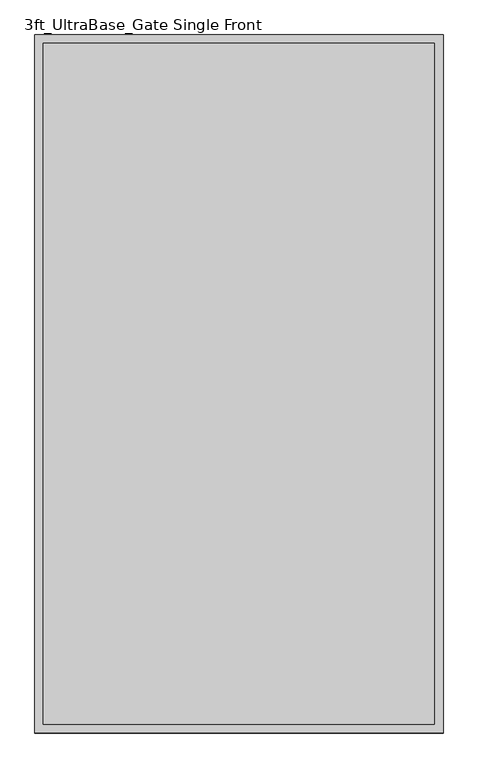
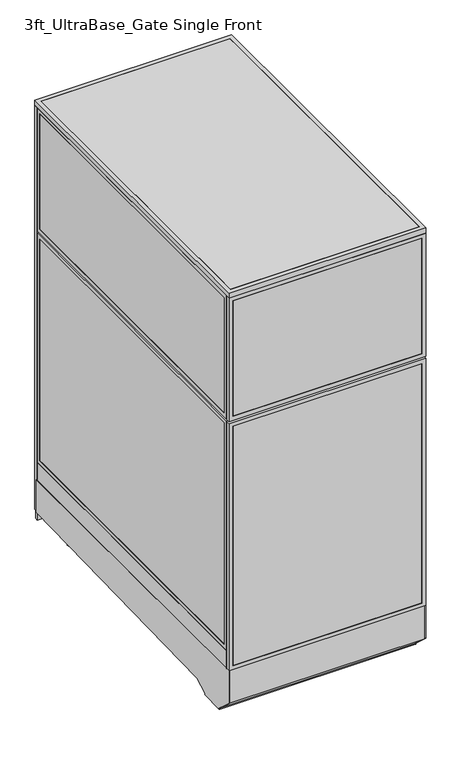
"""IFC4 building model written with IfcOpenShell, lengths in millimetres: proxy geometry, 3ft_UltraBase_Gate Single Front."""

from ifc_helpers import new_model, si_unit, point, frame, frame_2d, origin, origin_with_axes, place, context, project, spatial, polyline, circle_curve, trimmed, segment, composite_curve, outline, extrude, source, transform, mapped, element, save


def proxy_3ft_ultrabase_gate_single_front_0967ae14(model_context):
    return source(origin(), model_context, "Body", "SweptSolid", [
        extrude(outline(composite_curve([segment(trimmed(circle_curve(frame_2d((121.1505315, 350.6380208)), 38.1), [point((83.0505315, 350.6380208))], [point((159.2505315, 350.6380208))], False, "CARTESIAN"), True, "CONTINUOUS"), segment(trimmed(circle_curve(frame_2d((121.1505315, 350.6380208)), 38.1), [point((159.2505315, 350.6380208))], [point((83.0505315, 350.6380208))], False, "CARTESIAN"), True, "CONTINUOUS")], self_intersect=False)), frame((0.0, 0.0, 103.9931848), z_axis=(0.0, 0.0, 1.0), x_axis=(1.0, 0.0, 0.0)), (0.0, 0.0, 1.0), 12.9784433),
        extrude(outline(composite_curve([segment(trimmed(circle_curve(frame_2d((121.1505315, 350.6380208)), 12.7), [point((108.4505315, 350.6380208))], [point((133.8505315, 350.6380208))], False, "CARTESIAN"), True, "CONTINUOUS"), segment(trimmed(circle_curve(frame_2d((121.1505315, 350.6380208)), 12.7), [point((133.8505315, 350.6380208))], [point((108.4505315, 350.6380208))], False, "CARTESIAN"), True, "CONTINUOUS")], self_intersect=False)), frame((0.0, 0.0, 6.35), z_axis=(0.0, 0.0, 1.0), x_axis=(1.0, 0.0, 0.0)), (0.0, 0.0, 1.0), 97.6431848),
        extrude(outline(composite_curve([segment(trimmed(circle_curve(frame_2d((121.1505315, 350.6380208)), 25.4), [point((95.7505315, 350.6380208))], [point((146.5505315, 350.6380208))], False, "CARTESIAN"), True, "CONTINUOUS"), segment(trimmed(circle_curve(frame_2d((121.1505315, 350.6380208)), 25.4), [point((146.5505315, 350.6380208))], [point((95.7505315, 350.6380208))], False, "CARTESIAN"), True, "CONTINUOUS")], self_intersect=False)), origin_with_axes(), (0.0, 0.0, 1.0), 6.35),
        extrude(outline(composite_curve([segment(trimmed(circle_curve(frame_2d((806.9505315, 350.6380208)), 38.1), [point((768.8505315, 350.6380208))], [point((845.0505315, 350.6380208))], False, "CARTESIAN"), True, "CONTINUOUS"), segment(trimmed(circle_curve(frame_2d((806.9505315, 350.6380208)), 38.1), [point((845.0505315, 350.6380208))], [point((768.8505315, 350.6380208))], False, "CARTESIAN"), True, "CONTINUOUS")], self_intersect=False)), frame((0.0, 0.0, 103.9931848), z_axis=(0.0, 0.0, 1.0), x_axis=(1.0, 0.0, 0.0)), (0.0, 0.0, 1.0), 12.9784433),
        extrude(outline(composite_curve([segment(trimmed(circle_curve(frame_2d((806.9505315, 350.6380208)), 12.7), [point((794.2505315, 350.6380208))], [point((819.6505315, 350.6380208))], False, "CARTESIAN"), True, "CONTINUOUS"), segment(trimmed(circle_curve(frame_2d((806.9505315, 350.6380208)), 12.7), [point((819.6505315, 350.6380208))], [point((794.2505315, 350.6380208))], False, "CARTESIAN"), True, "CONTINUOUS")], self_intersect=False)), frame((0.0, 0.0, 6.35), z_axis=(0.0, 0.0, 1.0), x_axis=(1.0, 0.0, 0.0)), (0.0, 0.0, 1.0), 97.6431848),
        extrude(outline(composite_curve([segment(trimmed(circle_curve(frame_2d((806.9505315, 350.6380208)), 25.4), [point((781.5505315, 350.6380208))], [point((832.3505315, 350.6380208))], False, "CARTESIAN"), True, "CONTINUOUS"), segment(trimmed(circle_curve(frame_2d((806.9505315, 350.6380208)), 25.4), [point((832.3505315, 350.6380208))], [point((781.5505315, 350.6380208))], False, "CARTESIAN"), True, "CONTINUOUS")], self_intersect=False)), origin_with_axes(), (0.0, 0.0, 1.0), 6.35),
        extrude(outline(composite_curve([segment(trimmed(circle_curve(frame_2d((120.4666548, 1441.532592)), 38.1), [point((82.3666548, 1441.532592))], [point((158.5666548, 1441.532592))], False, "CARTESIAN"), True, "CONTINUOUS"), segment(trimmed(circle_curve(frame_2d((120.4666548, 1441.532592)), 38.1), [point((158.5666548, 1441.532592))], [point((82.3666548, 1441.532592))], False, "CARTESIAN"), True, "CONTINUOUS")], self_intersect=False)), frame((0.0, 0.0, 135.7431848), z_axis=(0.0, 0.0, 1.0), x_axis=(1.0, 0.0, 0.0)), (0.0, 0.0, 1.0), 12.9784433),
        extrude(outline(composite_curve([segment(trimmed(circle_curve(frame_2d((120.4666548, 1441.532592)), 12.7), [point((107.7666548, 1441.532592))], [point((133.1666548, 1441.532592))], False, "CARTESIAN"), True, "CONTINUOUS"), segment(trimmed(circle_curve(frame_2d((120.4666548, 1441.532592)), 12.7), [point((133.1666548, 1441.532592))], [point((107.7666548, 1441.532592))], False, "CARTESIAN"), True, "CONTINUOUS")], self_intersect=False)), frame((0.0, 0.0, 6.35), z_axis=(0.0, 0.0, 1.0), x_axis=(1.0, 0.0, 0.0)), (0.0, 0.0, 1.0), 129.3931848),
        extrude(outline(composite_curve([segment(trimmed(circle_curve(frame_2d((120.4666548, 1441.532592)), 25.4), [point((95.0666548, 1441.532592))], [point((145.8666548, 1441.532592))], False, "CARTESIAN"), True, "CONTINUOUS"), segment(trimmed(circle_curve(frame_2d((120.4666548, 1441.532592)), 25.4), [point((145.8666548, 1441.532592))], [point((95.0666548, 1441.532592))], False, "CARTESIAN"), True, "CONTINUOUS")], self_intersect=False)), origin_with_axes(), (0.0, 0.0, 1.0), 6.35),
        extrude(outline(composite_curve([segment(trimmed(circle_curve(frame_2d((806.2666548, 1441.532592)), 38.1), [point((768.1666548, 1441.532592))], [point((844.3666548, 1441.532592))], False, "CARTESIAN"), True, "CONTINUOUS"), segment(trimmed(circle_curve(frame_2d((806.2666548, 1441.532592)), 38.1), [point((844.3666548, 1441.532592))], [point((768.1666548, 1441.532592))], False, "CARTESIAN"), True, "CONTINUOUS")], self_intersect=False)), frame((0.0, 0.0, 135.7431848), z_axis=(0.0, 0.0, 1.0), x_axis=(1.0, 0.0, 0.0)), (0.0, 0.0, 1.0), 12.9784433),
        extrude(outline(composite_curve([segment(trimmed(circle_curve(frame_2d((806.2666548, 1441.532592)), 12.7), [point((793.5666548, 1441.532592))], [point((818.9666548, 1441.532592))], False, "CARTESIAN"), True, "CONTINUOUS"), segment(trimmed(circle_curve(frame_2d((806.2666548, 1441.532592)), 12.7), [point((818.9666548, 1441.532592))], [point((793.5666548, 1441.532592))], False, "CARTESIAN"), True, "CONTINUOUS")], self_intersect=False)), frame((0.0, 0.0, 6.35), z_axis=(0.0, 0.0, 1.0), x_axis=(1.0, 0.0, 0.0)), (0.0, 0.0, 1.0), 129.3931848),
        extrude(outline(composite_curve([segment(trimmed(circle_curve(frame_2d((806.2666548, 1441.532592)), 25.4), [point((780.8666548, 1441.532592))], [point((831.6666548, 1441.532592))], False, "CARTESIAN"), True, "CONTINUOUS"), segment(trimmed(circle_curve(frame_2d((806.2666548, 1441.532592)), 25.4), [point((831.6666548, 1441.532592))], [point((780.8666548, 1441.532592))], False, "CARTESIAN"), True, "CONTINUOUS")], self_intersect=False)), origin_with_axes(), (0.0, 0.0, 1.0), 6.35),
        extrude(outline(polyline([(-19.05, 304.8), (1530.35, 304.8), (1530.35, 144.6534225), (238.733612, 113.4956461), (175.3928625, 76.9258473), (175.3928625, 69.0977369), (59.8970382, 69.0977369), (59.8970382, 73.3553835), (-19.05, 144.439616), (-19.05, 304.8)])), frame((0.0, 0.0, 0.0), z_axis=(1.0, 0.0, 0.0), x_axis=(0.0, 1.0, 0.0)), (0.0, 0.0, 1.0), 3.175),
        extrude(outline(polyline([(-19.05, 304.8), (1530.35, 304.8), (1530.35, 144.6534225), (238.733612, 113.4956461), (175.3928625, 76.9258473), (175.3928625, 69.0977369), (59.8970382, 69.0977369), (59.8970382, 73.3553835), (-19.05, 144.439616), (-19.05, 304.8)])), frame((911.225, 0.0, 0.0), z_axis=(1.0, 0.0, 0.0), x_axis=(0.0, 1.0, 0.0)), (0.0, 0.0, 1.0), 3.175),
        extrude(outline(polyline([(1530.35, 104.78262), (1530.35, 144.7169051), (238.733612, 113.4956461), (175.3928625, 76.9258473), (175.3928625, 69.0977369), (59.8970382, 69.0977369), (59.8970382, 73.3553835), (-19.05, 144.439616), (-19.05, 304.8), (-10.9434074, 304.8), (-10.9434074, 236.4996867), (-5.6766373, 236.4996867), (-2.6025146, 148.4683295), (68.18203, 84.7336392), (68.18203, 79.4164869), (167.804636, 79.4164869), (167.804636, 86.088281), (237.0845322, 126.0870477), (1543.05, 157.7730306), (1543.05, 104.78262), (1530.35, 104.78262)])), frame((3.175, 0.0, 0.0), z_axis=(1.0, 0.0, 0.0), x_axis=(0.0, 1.0, 0.0)), (0.0, 0.0, 1.0), 908.05),
        extrude(outline(polyline([(60.3189838, 1541.4625), (854.0810162, 1541.4625), (854.0810162, 1525.5875), (60.3189838, 1525.5875), (60.3189838, 1541.4625)])), frame((0.0, 0.0, 212.725), z_axis=(0.0, 0.0, 1.0), x_axis=(1.0, 0.0, 0.0)), (0.0, 0.0, 1.0), 1860.55),
        extrude(outline(polyline([(193.675, 41.2689838), (193.675, 873.1310162), (2092.325, 873.1310162), (2092.325, 41.2689838), (193.675, 41.2689838)]), holes=[polyline([(2073.275, 854.0810162), (212.725, 854.0810162), (212.725, 60.3189838), (2073.275, 60.3189838), (2073.275, 854.0810162)])]), frame((0.0, 1524.0, 0.0), z_axis=(0.0, 1.0, 0.0), x_axis=(0.0, 0.0, 1.0)), (0.0, 0.0, 1.0), 19.05),
        extrude(outline(polyline([(152.4, 0.0), (152.4, 914.4), (2133.6, 914.4), (2133.6, 0.0), (152.4, 0.0)]), holes=[polyline([(2114.55, 19.05), (2114.55, 895.35), (171.45, 895.35), (171.45, 19.05), (2114.55, 19.05)])]), frame((0.0, 1524.0, 0.0), z_axis=(0.0, 1.0, 0.0), x_axis=(0.0, 0.0, 1.0)), (0.0, 0.0, 1.0), 19.05),
        extrude(outline(polyline([(1519.2375, 914.4), (1519.2375, 0.0), (304.8, 0.0), (304.8, 914.4), (1519.2375, 914.4)]), holes=[polyline([(323.85, 895.35), (323.85, 19.05), (1500.1875, 19.05), (1500.1875, 895.35), (323.85, 895.35)])]), frame((0.0, -19.05, 0.0), z_axis=(0.0, 1.0, 0.0), x_axis=(0.0, 0.0, 1.0)), (0.0, 0.0, 1.0), 19.05),
        extrude(outline(polyline([(1528.7625, 914.4), (2133.6, 914.4), (2133.6, 0.0), (1528.7625, 0.0), (1528.7625, 914.4)]), holes=[polyline([(2114.55, 895.35), (1547.8125, 895.35), (1547.8125, 19.05), (2114.55, 19.05), (2114.55, 895.35)])]), frame((0.0, -19.05, 0.0), z_axis=(0.0, 1.0, 0.0), x_axis=(0.0, 0.0, 1.0)), (0.0, 0.0, 1.0), 19.05),
        extrude(outline(polyline([(895.35, -17.4625), (19.05, -17.4625), (19.05, -1.5875), (895.35, -1.5875), (895.35, -17.4625)])), frame((0.0, 0.0, 323.85), z_axis=(0.0, 0.0, 1.0), x_axis=(1.0, 0.0, 0.0)), (0.0, 0.0, 1.0), 1176.3375),
        extrude(outline(polyline([(895.35, -17.4625), (19.05, -17.4625), (19.05, -1.5875), (895.35, -1.5875), (895.35, -17.4625)])), frame((0.0, 0.0, 1547.8125), z_axis=(0.0, 0.0, 1.0), x_axis=(1.0, 0.0, 0.0)), (0.0, 0.0, 1.0), 566.7375),
        extrude(outline(polyline([(0.0, 0.0), (0.0, 1524.0), (19.05, 1524.0), (19.05, 0.0), (0.0, 0.0)])), frame((0.0, 0.0, 304.8), z_axis=(0.0, 0.0, 1.0), x_axis=(1.0, 0.0, 0.0)), (0.0, 0.0, 1.0), 88.9),
        extrude(outline(polyline([(1524.0, 393.7), (0.0, 393.7), (0.0, 1519.2375), (1524.0, 1519.2375), (1524.0, 393.7)]), holes=[polyline([(1504.95, 1500.1875), (19.05, 1500.1875), (19.05, 412.75), (1504.95, 412.75), (1504.95, 1500.1875)])]), frame((0.0, 0.0, 0.0), z_axis=(1.0, 0.0, 0.0), x_axis=(0.0, 1.0, 0.0)), (0.0, 0.0, 1.0), 19.05),
        extrude(outline(polyline([(0.0, 1528.7625), (0.0, 2133.6), (1524.0, 2133.6), (1524.0, 1528.7625), (0.0, 1528.7625)]), holes=[polyline([(19.05, 2114.55), (19.05, 1547.8125), (1504.95, 1547.8125), (1504.95, 2114.55), (19.05, 2114.55)])]), frame((0.0, 0.0, 0.0), z_axis=(1.0, 0.0, 0.0), x_axis=(0.0, 1.0, 0.0)), (0.0, 0.0, 1.0), 19.05),
        extrude(outline(polyline([(1.5875, 19.05), (1.5875, 1504.95), (17.4625, 1504.95), (17.4625, 19.05), (1.5875, 19.05)])), frame((0.0, 0.0, 412.75), z_axis=(0.0, 0.0, 1.0), x_axis=(1.0, 0.0, 0.0)), (0.0, 0.0, 1.0), 1087.4375),
        extrude(outline(polyline([(1.5875, 19.05), (1.5875, 1504.95), (17.4625, 1504.95), (17.4625, 19.05), (1.5875, 19.05)])), frame((0.0, 0.0, 1547.8125), z_axis=(0.0, 0.0, 1.0), x_axis=(1.0, 0.0, 0.0)), (0.0, 0.0, 1.0), 566.7375),
        extrude(outline(polyline([(895.35, 0.0), (895.35, 1524.0), (914.4, 1524.0), (914.4, 0.0), (895.35, 0.0)])), frame((0.0, 0.0, 304.8), z_axis=(0.0, 0.0, 1.0), x_axis=(1.0, 0.0, 0.0)), (0.0, 0.0, 1.0), 88.9),
        extrude(outline(polyline([(1524.0, 393.7), (0.0, 393.7), (0.0, 1519.2375), (1524.0, 1519.2375), (1524.0, 393.7)]), holes=[polyline([(1504.95, 1500.1875), (19.05, 1500.1875), (19.05, 412.75), (1504.95, 412.75), (1504.95, 1500.1875)])]), frame((895.35, 0.0, 0.0), z_axis=(1.0, 0.0, 0.0), x_axis=(0.0, 1.0, 0.0)), (0.0, 0.0, 1.0), 19.05),
        extrude(outline(polyline([(0.0, 1528.7625), (0.0, 2133.6), (1524.0, 2133.6), (1524.0, 1528.7625), (0.0, 1528.7625)]), holes=[polyline([(19.05, 2114.55), (19.05, 1547.8125), (1504.95, 1547.8125), (1504.95, 2114.55), (19.05, 2114.55)])]), frame((895.35, 0.0, 0.0), z_axis=(1.0, 0.0, 0.0), x_axis=(0.0, 1.0, 0.0)), (0.0, 0.0, 1.0), 19.05),
        extrude(outline(polyline([(896.9375, 19.05), (896.9375, 1504.95), (912.8125, 1504.95), (912.8125, 19.05), (896.9375, 19.05)])), frame((0.0, 0.0, 412.75), z_axis=(0.0, 0.0, 1.0), x_axis=(1.0, 0.0, 0.0)), (0.0, 0.0, 1.0), 1087.4375),
        extrude(outline(polyline([(896.9375, 19.05), (896.9375, 1504.95), (912.8125, 1504.95), (912.8125, 19.05), (896.9375, 19.05)])), frame((0.0, 0.0, 1547.8125), z_axis=(0.0, 0.0, 1.0), x_axis=(1.0, 0.0, 0.0)), (0.0, 0.0, 1.0), 566.7375),
        extrude(outline(polyline([(882.65, 622.3), (882.65, 609.6), (31.75, 609.6), (31.75, 622.3), (882.65, 622.3)])), frame((0.0, 0.0, 152.4), z_axis=(0.0, 0.0, 1.0), x_axis=(1.0, 0.0, 0.0)), (0.0, 0.0, 1.0), 152.4),
        extrude(outline(polyline([(882.65, 622.3), (882.65, 12.7), (31.75, 12.7), (31.75, 622.3), (882.65, 622.3)])), frame((0.0, 0.0, 304.8), z_axis=(0.0, 0.0, 1.0), x_axis=(1.0, 0.0, 0.0)), (0.0, 0.0, 1.0), 12.7),
        extrude(outline(polyline([(0.0, -19.05), (0.0, 1543.05), (914.4, 1543.05), (914.4, -19.05), (0.0, -19.05)]), holes=[polyline([(19.05, 0.0), (895.35, 0.0), (895.35, 1524.0), (19.05, 1524.0), (19.05, 0.0)])]), frame((0.0, 0.0, 2133.6), z_axis=(0.0, 0.0, 1.0), x_axis=(1.0, 0.0, 0.0)), (0.0, 0.0, 1.0), 25.4),
        extrude(outline(polyline([(895.35, 1524.0), (895.35, 0.0), (19.05, 0.0), (19.05, 1524.0), (895.35, 1524.0)])), frame((0.0, 0.0, 2133.6), z_axis=(0.0, 0.0, 1.0), x_axis=(1.0, 0.0, 0.0)), (0.0, 0.0, 1.0), 25.4),
    ])


if __name__ == "__main__":
    model = new_model("IFC4")
    model_context = context("Model", 3, world=origin())
    ifc_project = project(units=[si_unit("LENGTHUNIT", "METRE", prefix="MILLI")], contexts=[model_context])
    site = spatial("IfcSite", under=ifc_project)
    building = spatial("IfcBuilding", under=site)
    placement = place(None, origin())
    proxy_3ft_ultrabase_gate_single_front_shape = proxy_3ft_ultrabase_gate_single_front_0967ae14(model_context)
    element("IfcBuildingElementProxy", 1, Name="3ft_UltraBase_Gate Single Front", ObjectType="3ft_UltraBase_Gate Single Front", at=placement, inside=building, context=model_context, shape_type="MappedRepresentation", body=[
        mapped(proxy_3ft_ultrabase_gate_single_front_shape, transform((0.0, 0.0, 0.0), x_axis=(1.0, 0.0, 0.0), y_axis=(0.0, 1.0, 0.0), z_axis=(0.0, 0.0, 1.0))),
    ])
    save(model, "model.ifc")
